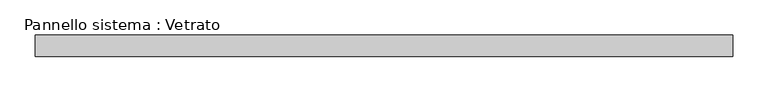
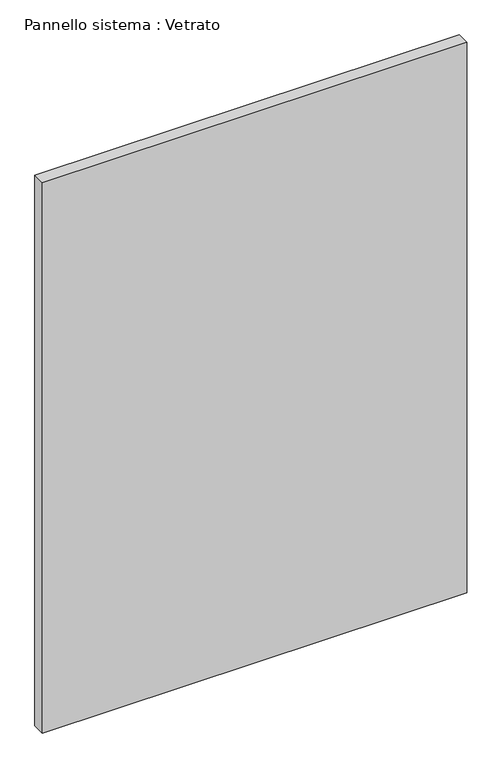
"""IFC4 building model written with IfcOpenShell, lengths in millimetres: plate geometry, Pannello sistema : Vetrato."""

from ifc_helpers import new_model, si_unit, origin, origin_with_axes, place, context, project, spatial, polyline, outline, extrude, source, transform, mapped, element, save


def pannello_sistema_vetrato_00f89730(model_context):
    return source(origin(), model_context, "Body", "SweptSolid", [
        extrude(outline(polyline([(492.5000002, -15.0), (-492.5000002, -15.0), (-492.5000002, 15.0), (492.5000002, 15.0), (492.5000002, -15.0)])), origin_with_axes(), (0.0, 0.0, 1.0), 1350.0),
    ])


if __name__ == "__main__":
    model = new_model("IFC4")
    model_context = context("Model", 3, world=origin())
    ifc_project = project(units=[si_unit("LENGTHUNIT", "METRE", prefix="MILLI")], contexts=[model_context])
    site = spatial("IfcSite", under=ifc_project)
    building = spatial("IfcBuilding", under=site)
    placement = place(None, origin())
    pannello_sistema_vetrato_shape = pannello_sistema_vetrato_00f89730(model_context)
    element("IfcPlate", 1, ObjectType="Pannello sistema : Vetrato", at=placement, inside=building, context=model_context, shape_type="MappedRepresentation", body=[
        mapped(pannello_sistema_vetrato_shape, transform((0.0, 0.0, 0.0), x_axis=(1.0, 0.0, 0.0), y_axis=(0.0, 1.0, 0.0), z_axis=(0.0, 0.0, 1.0))),
    ])
    save(model, "model.ifc")
